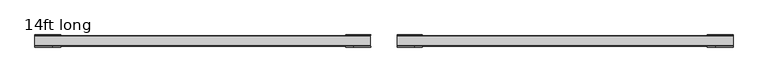
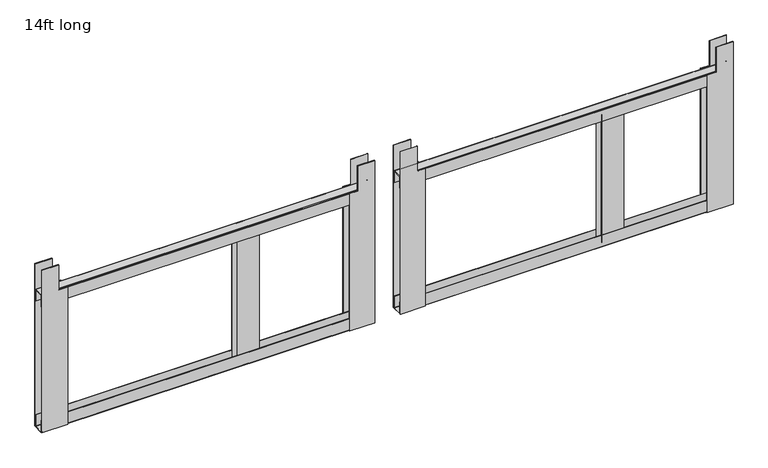
"""IFC4 building model written with IfcOpenShell, lengths in millimetres: furniture geometry, 14ft long."""

from ifc_helpers import new_model, si_unit, point, frame, frame_2d, origin, place, context, project, spatial, polyline, circle_curve, trimmed, segment, composite_curve, outline, extrude, source, transform, mapped, element, save


def furniture_14ft_long_b3e3a099(model_context):
    return source(origin(), model_context, "Body", "SweptSolid", [
        extrude(outline(polyline([(1949.3542915, 38.1), (1442.0654915, 38.1), (1442.0654915, 111.0996), (1871.3254915, 111.0996), (1871.3254915, 88.1126), (1949.3542915, 88.1126), (1949.3542915, 38.1)])), frame((0.0, 16.1917968, 0.0), z_axis=(0.0, 1.0, 0.0), x_axis=(0.0, 0.0, 1.0)), (0.0, 0.0, 1.0), 1.5199994),
        extrude(outline(polyline([(1949.3542915, 38.1), (1442.0654915, 38.1), (1442.0654915, 111.0996), (1871.3254915, 111.0996), (1871.3254915, 88.1126), (1949.3542915, 88.1126), (1949.3542915, 38.1)])), frame((0.0, -17.6162996, 0.0), z_axis=(0.0, 1.0, 0.0), x_axis=(0.0, 0.0, 1.0)), (0.0, 0.0, 1.0), 1.5199994),
        extrude(outline(polyline([(1949.3542915, 1019.5941), (1949.3542915, 969.5815), (1871.3254915, 969.5815), (1871.3254915, 943.3941), (1442.0654915, 943.3941), (1442.0654915, 1019.5941), (1949.3542915, 1019.5941)])), frame((0.0, 16.1917968, 0.0), z_axis=(0.0, 1.0, 0.0), x_axis=(0.0, 0.0, 1.0)), (0.0, 0.0, 1.0), 1.5199994),
        extrude(outline(polyline([(1949.3542915, 1019.5941), (1949.3542915, 969.5815), (1871.3254915, 969.5815), (1871.3254915, 943.3941), (1442.0654915, 943.3941), (1442.0654915, 1019.5941), (1949.3542915, 1019.5941)])), frame((0.0, -17.6162996, 0.0), z_axis=(0.0, 1.0, 0.0), x_axis=(0.0, 0.0, 1.0)), (0.0, 0.0, 1.0), 1.5199994),
        extrude(outline(polyline([(633.5014, 14.0407025), (698.5, 14.0407025), (698.5, 12.5207031), (633.5014, 12.5207031), (633.5014, 14.0407025)])), frame((0.0, 0.0, 1456.1140775), z_axis=(0.0, 0.0, 1.0), x_axis=(1.0, 0.0, 0.0)), (0.0, 0.0, 1.0), 397.9624124),
        extrude(outline(polyline([(698.5, -14.0444246), (633.5014, -14.0444246), (633.5014, -12.5244252), (698.5, -12.5244252), (698.5, -14.0444246)])), frame((0.0, 0.0, 1456.1140775), z_axis=(0.0, 0.0, 1.0), x_axis=(1.0, 0.0, 0.0)), (0.0, 0.0, 1.0), 397.9624124),
        extrude(outline(composite_curve([segment(polyline([(-15.5954995, 1479.0321189), (-14.0755001, 1479.0321189), (-14.0755001, 1444.5178774)]), True, "CONTINUOUS"), segment(trimmed(circle_curve(frame_2d((-13.0206916, 1444.5178774)), 1.0548085), [point((-14.0755001, 1444.5178774))], [point((-13.0206916, 1443.4630689))], True, "CARTESIAN"), True, "CONTINUOUS"), segment(polyline([(-13.0206916, 1443.4630689), (13.1161882, 1443.4630689)]), True, "CONTINUOUS"), segment(trimmed(circle_curve(frame_2d((13.1161882, 1444.4223807)), 0.9593119), [point((13.1161882, 1443.4630689))], [point((14.0755001, 1444.4223807))], True, "CARTESIAN"), True, "CONTINUOUS"), segment(polyline([(14.0755001, 1444.4223807), (14.0755001, 1478.8348063), (15.5956994, 1478.8348063), (15.5956994, 1444.2255503), (14.9267517, 1442.6118127), (13.3134997, 1441.9430672), (-13.3134997, 1441.9430672), (-14.9267529, 1442.6118127), (-15.5954995, 1444.2250682), (-15.5954995, 1479.0321189)]), True, "CONTINUOUS")], self_intersect=False)), frame((38.1, 0.0, 0.0), z_axis=(1.0, 0.0, 0.0), x_axis=(0.0, 1.0, 0.0)), (0.0, 0.0, 1.0), 981.4941),
        extrude(outline(composite_curve([segment(polyline([(-15.5954995, 1834.2374937), (-15.5954995, 1869.0445444), (-14.9267529, 1870.6577999), (-13.3134997, 1871.3265454), (13.3134997, 1871.3265454), (14.9267517, 1870.6577999), (15.5956994, 1869.0440623), (15.5956994, 1834.4348063), (14.0755001, 1834.4348063), (14.0755001, 1868.8472319)]), True, "CONTINUOUS"), segment(trimmed(circle_curve(frame_2d((13.1161882, 1868.8472319)), 0.9593119), [point((14.0755001, 1868.8472319))], [point((13.1161882, 1869.8065437))], True, "CARTESIAN"), True, "CONTINUOUS"), segment(polyline([(13.1161882, 1869.8065437), (-13.0206916, 1869.8065437)]), True, "CONTINUOUS"), segment(trimmed(circle_curve(frame_2d((-13.0206916, 1868.7517352)), 1.0548085), [point((-13.0206916, 1869.8065437))], [point((-14.0755001, 1868.7517352))], True, "CARTESIAN"), True, "CONTINUOUS"), segment(polyline([(-14.0755001, 1868.7517352), (-14.0755001, 1834.2374937), (-15.5954995, 1834.2374937)]), True, "CONTINUOUS")], self_intersect=False)), frame((38.1, 0.0, 0.0), z_axis=(1.0, 0.0, 0.0), x_axis=(0.0, 1.0, 0.0)), (0.0, 0.0, 1.0), 981.4941),
        extrude(outline(composite_curve([segment(polyline([(-15.5954995, 1479.0321189), (-14.0755001, 1479.0321189), (-14.0755001, 1444.5178774)]), True, "CONTINUOUS"), segment(trimmed(circle_curve(frame_2d((-13.0206916, 1444.5178774)), 1.0548085), [point((-14.0755001, 1444.5178774))], [point((-13.0206916, 1443.4630689))], True, "CARTESIAN"), True, "CONTINUOUS"), segment(polyline([(-13.0206916, 1443.4630689), (13.1161882, 1443.4630689)]), True, "CONTINUOUS"), segment(trimmed(circle_curve(frame_2d((13.1161882, 1444.4223807)), 0.9593119), [point((13.1161882, 1443.4630689))], [point((14.0755001, 1444.4223807))], True, "CARTESIAN"), True, "CONTINUOUS"), segment(polyline([(14.0755001, 1444.4223807), (14.0755001, 1478.8348063), (15.5956994, 1478.8348063), (15.5956994, 1444.2255503), (14.9267517, 1442.6118127), (13.3134997, 1441.9430672), (-13.3134997, 1441.9430672), (-14.9267529, 1442.6118127), (-15.5954995, 1444.2250682), (-15.5954995, 1479.0321189)]), True, "CONTINUOUS")], self_intersect=False)), frame((-1019.5941, 0.0, 0.0), z_axis=(1.0, 0.0, 0.0), x_axis=(0.0, 1.0, 0.0)), (0.0, 0.0, 1.0), 978.9651119),
        extrude(outline(polyline([(0.0, -64.9986), (0.0, 0.0), (1.5199994, 0.0), (1.5199994, -64.9986), (0.0, -64.9986)])), frame((-375.5898, 14.0407025, 1456.1140775), z_axis=(-3.5360538256754603e-12, 0.0, 1.0), x_axis=(0.0, -1.0, 0.0)), (0.0, 0.0, 1.0), 397.9624124),
        extrude(outline(polyline([(0.0, -64.9986), (0.0, 0.0), (1.5199994, 0.0), (1.5199994, -64.9986), (0.0, -64.9986)])), frame((-440.5884, -14.0444246, 1456.1140775), z_axis=(-3.336135588181441e-12, 0.0, 1.0), x_axis=(0.0, 1.0, 0.0)), (0.0, 0.0, 1.0), 397.9624124),
        extrude(outline(polyline([(1949.3542915, -38.1), (1949.3542915, -88.1126), (1871.3254915, -88.1126), (1871.3254915, -111.0996), (1442.0654915, -111.0996), (1442.0654915, -38.1), (1949.3542915, -38.1)])), frame((0.0, 16.1917968, 0.0), z_axis=(0.0, 1.0, 0.0), x_axis=(0.0, 0.0, 1.0)), (0.0, 0.0, 1.0), 1.5199994),
        extrude(outline(polyline([(1949.3542915, -1019.5941), (1442.0654915, -1019.5941), (1442.0654915, -943.3941), (1871.3254915, -943.3941), (1871.3254915, -969.5815), (1949.3542915, -969.5815), (1949.3542915, -1019.5941)])), frame((0.0, 16.1917968, 0.0), z_axis=(0.0, 1.0, 0.0), x_axis=(0.0, 0.0, 1.0)), (0.0, 0.0, 1.0), 1.5199994),
        extrude(outline(polyline([(1949.3542915, -1019.5941), (1442.0654915, -1019.5941), (1442.0654915, -943.3941), (1871.3254915, -943.3941), (1871.3254915, -969.5815), (1949.3542915, -969.5815), (1949.3542915, -1019.5941)])), frame((0.0, -17.6162996, 0.0), z_axis=(0.0, 1.0, 0.0), x_axis=(0.0, 0.0, 1.0)), (0.0, 0.0, 1.0), 1.5199994),
        extrude(outline(polyline([(1949.3542915, -38.1), (1949.3542915, -88.1126), (1871.3254915, -88.1126), (1871.3254915, -111.0996), (1442.0654915, -111.0996), (1442.0654915, -38.1), (1949.3542915, -38.1)])), frame((0.0, -17.6162996, 0.0), z_axis=(0.0, 1.0, 0.0), x_axis=(0.0, 0.0, 1.0)), (0.0, 0.0, 1.0), 1.5199994),
        extrude(outline(composite_curve([segment(polyline([(-15.5954995, 1834.2374937), (-15.5954995, 1869.0445444), (-14.9267529, 1870.6577999), (-13.3134997, 1871.3265454), (13.3134997, 1871.3265454), (14.9267517, 1870.6577999), (15.5956994, 1869.0440623), (15.5956994, 1834.4348063), (14.0755001, 1834.4348063), (14.0755001, 1868.8472319)]), True, "CONTINUOUS"), segment(trimmed(circle_curve(frame_2d((13.1161882, 1868.8472319)), 0.9593119), [point((14.0755001, 1868.8472319))], [point((13.1161882, 1869.8065437))], True, "CARTESIAN"), True, "CONTINUOUS"), segment(polyline([(13.1161882, 1869.8065437), (-13.0206916, 1869.8065437)]), True, "CONTINUOUS"), segment(trimmed(circle_curve(frame_2d((-13.0206916, 1868.7517352)), 1.0548085), [point((-13.0206916, 1869.8065437))], [point((-14.0755001, 1868.7517352))], True, "CARTESIAN"), True, "CONTINUOUS"), segment(polyline([(-14.0755001, 1868.7517352), (-14.0755001, 1834.2374937), (-15.5954995, 1834.2374937)]), True, "CONTINUOUS")], self_intersect=False)), frame((-1019.5941, 0.0, 0.0), z_axis=(1.0, 0.0, 0.0), x_axis=(0.0, 1.0, 0.0)), (0.0, 0.0, 1.0), 978.9651119),
    ])


if __name__ == "__main__":
    model = new_model("IFC4")
    model_context = context("Model", 3, world=origin())
    ifc_project = project(units=[si_unit("LENGTHUNIT", "METRE", prefix="MILLI")], contexts=[model_context])
    site = spatial("IfcSite", under=ifc_project)
    building = spatial("IfcBuilding", under=site)
    placement = place(None, origin())
    furniture_14ft_long_shape = furniture_14ft_long_b3e3a099(model_context)
    element("IfcFurniture", 1, ObjectType="14ft long", at=placement, inside=building, context=model_context, shape_type="MappedRepresentation", body=[
        mapped(furniture_14ft_long_shape, transform((0.0, 0.0, 0.0), x_axis=(1.0, 0.0, 0.0), y_axis=(0.0, 1.0, 0.0), z_axis=(0.0, 0.0, 1.0))),
    ])
    save(model, "model.ifc")
